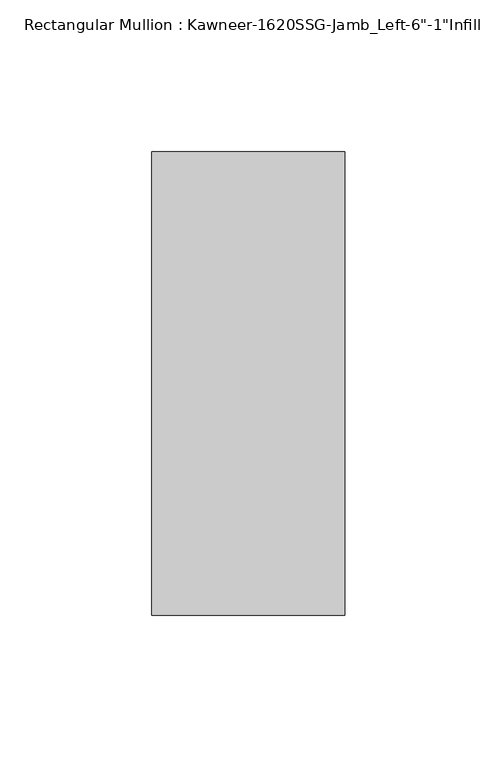
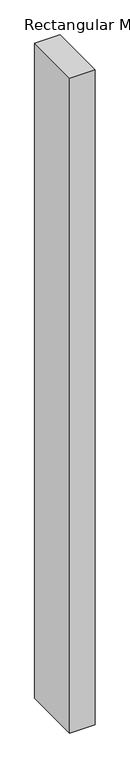
"""IFC4 building model written with IfcOpenShell, lengths in millimetres: member geometry."""

from ifc_helpers import new_model, si_unit, frame, origin, place, context, project, spatial, polyline, outline, extrude, source, transform, mapped, element, save


def member_b2ebf14c(model_context):
    return source(origin(), model_context, "Body", "SweptSolid", [
        extrude(outline(polyline([(22.225, 38.1), (22.225, -114.3), (-41.275, -114.3), (-41.275, 38.1), (22.225, 38.1)])), frame((0.0, 0.0, -1739.9), z_axis=(0.0, 0.0, 1.0), x_axis=(1.0, 0.0, 0.0)), (0.0, 0.0, 1.0), 1739.9),
    ])


if __name__ == "__main__":
    model = new_model("IFC4")
    model_context = context("Model", 3, world=origin())
    ifc_project = project(units=[si_unit("LENGTHUNIT", "METRE", prefix="MILLI")], contexts=[model_context])
    site = spatial("IfcSite", under=ifc_project)
    building = spatial("IfcBuilding", under=site)
    placement = place(None, origin())
    member_shape = member_b2ebf14c(model_context)
    element("IfcMember", 1, ObjectType="Rectangular Mullion : Kawneer-1620SSG-Jamb_Left-6\"-1\"Infill", at=placement, inside=building, context=model_context, shape_type="MappedRepresentation", body=[
        mapped(member_shape, transform((0.0, 0.0, 0.0), x_axis=(1.0, 0.0, 0.0), y_axis=(0.0, 1.0, 0.0), z_axis=(0.0, 0.0, 1.0))),
    ])
    save(model, "model.ifc")
